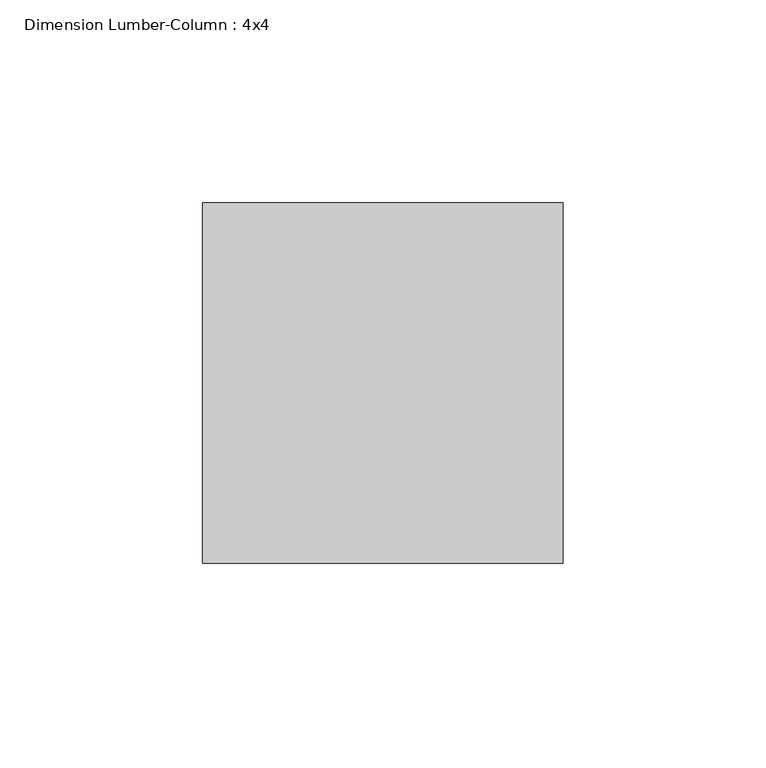
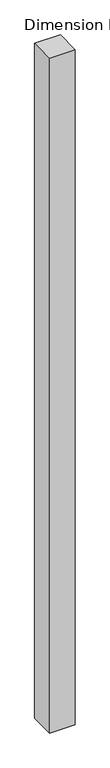
"""IFC4 building model written with IfcOpenShell, lengths in millimetres: column geometry, Dimension Lumber-Column : 4x4."""

from ifc_helpers import new_model, si_unit, frame, origin, place, context, project, spatial, polyline, outline, extrude, source, transform, mapped, element, save


def dimension_lumber_column_4x4_daf9161d(model_context):
    return source(origin(), model_context, "Body", "SweptSolid", [
        extrude(outline(polyline([(44.45, 44.45), (44.45, -44.45), (-44.45, -44.45), (-44.45, 44.45), (44.45, 44.45)])), frame((0.0, 0.0, -2825.75), z_axis=(0.0, 0.0, 1.0), x_axis=(1.0, 0.0, 0.0)), (0.0, 0.0, 1.0), 2476.5),
    ])


if __name__ == "__main__":
    model = new_model("IFC4")
    model_context = context("Model", 3, world=origin())
    ifc_project = project(units=[si_unit("LENGTHUNIT", "METRE", prefix="MILLI")], contexts=[model_context])
    site = spatial("IfcSite", under=ifc_project)
    building = spatial("IfcBuilding", under=site)
    placement = place(None, origin())
    dimension_lumber_column_4x4_shape = dimension_lumber_column_4x4_daf9161d(model_context)
    element("IfcColumn", 1, ObjectType="Dimension Lumber-Column : 4x4", at=placement, inside=building, context=model_context, shape_type="MappedRepresentation", body=[
        mapped(dimension_lumber_column_4x4_shape, transform((0.0, 0.0, 0.0), x_axis=(1.0, 0.0, 0.0), y_axis=(0.0, 1.0, 0.0), z_axis=(0.0, 0.0, 1.0))),
    ])
    save(model, "model.ifc")
